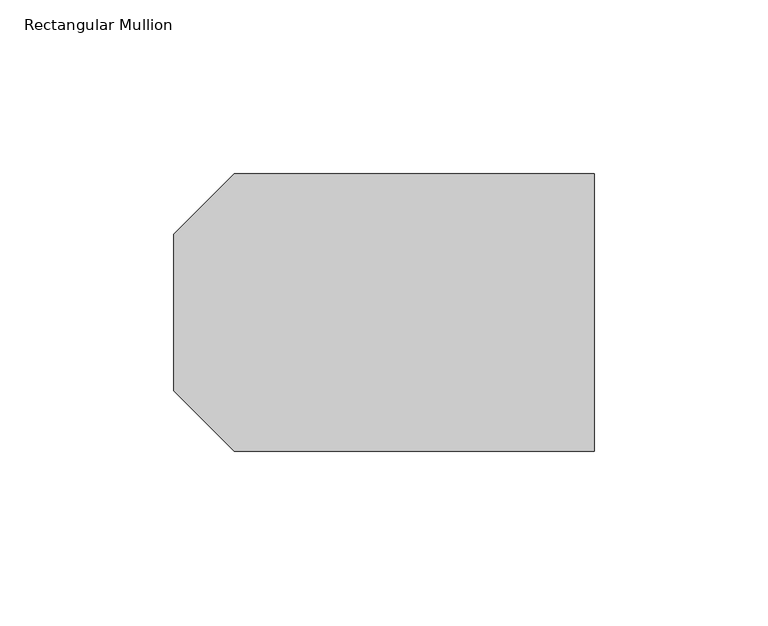
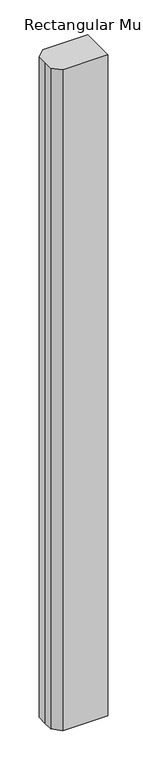
"""IFC4 building model written with IfcOpenShell, lengths in millimetres: member geometry, Rectangular Mullion."""

from ifc_helpers import new_model, si_unit, frame, origin, place, context, project, spatial, polyline, outline, extrude, source, transform, mapped, element, save


def rectangular_mullion_a22a6795(model_context):
    return source(origin(), model_context, "Body", "SweptSolid", [
        extrude(outline(polyline([(-121.0, 22.5), (-103.597438, 39.902562), (0.0, 39.902562), (0.0, -39.902562), (-103.597438, -39.902562), (-121.0, -22.5), (-121.0, 0.0), (-121.0, 22.5)])), frame((0.0, 0.0, -1600.0000001), z_axis=(0.0, 0.0, 1.0), x_axis=(1.0, 0.0, 0.0)), (0.0, 0.0, 1.0), 1600.0000001),
    ])


if __name__ == "__main__":
    model = new_model("IFC4")
    model_context = context("Model", 3, world=origin())
    ifc_project = project(units=[si_unit("LENGTHUNIT", "METRE", prefix="MILLI")], contexts=[model_context])
    site = spatial("IfcSite", under=ifc_project)
    building = spatial("IfcBuilding", under=site)
    placement = place(None, origin())
    rectangular_mullion_shape = rectangular_mullion_a22a6795(model_context)
    element("IfcMember", 1, ObjectType="Rectangular Mullion", at=placement, inside=building, context=model_context, shape_type="MappedRepresentation", body=[
        mapped(rectangular_mullion_shape, transform((0.0, 0.0, 0.0), x_axis=(1.0, 0.0, 0.0), y_axis=(0.0, 1.0, 0.0), z_axis=(0.0, 0.0, 1.0))),
    ])
    save(model, "model.ifc")
